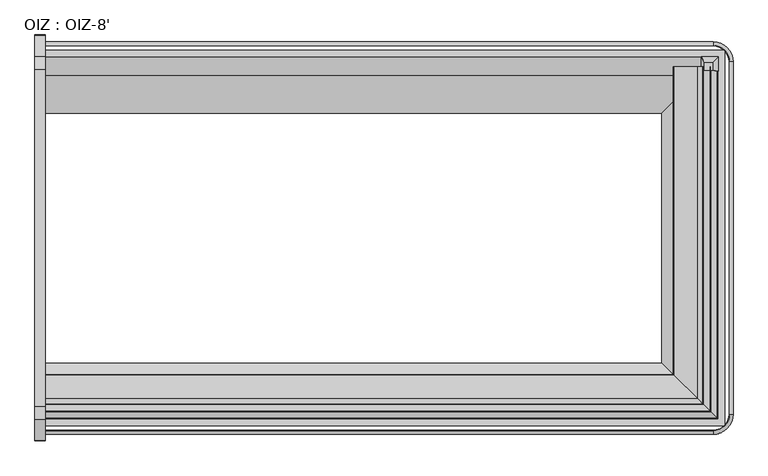
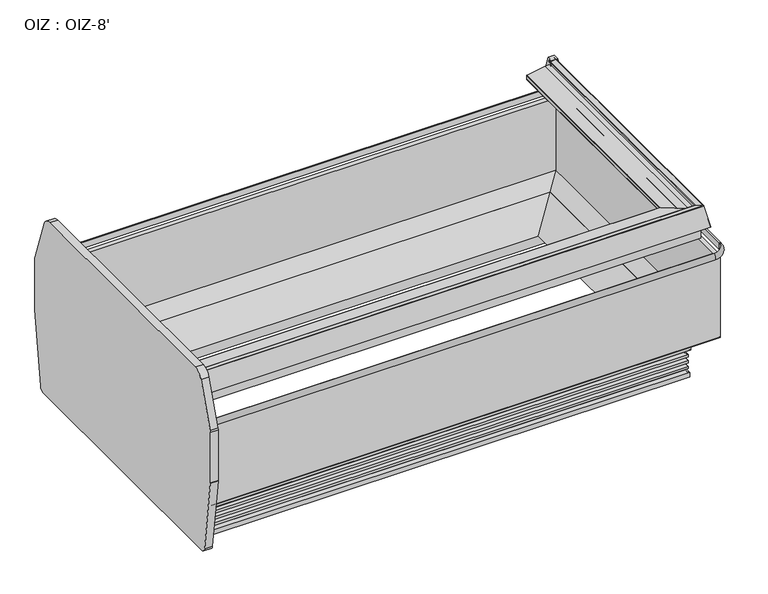
"""IFC4 building model written with IfcOpenShell, lengths in millimetres: proxy geometry, OIZ : OIZ-8'."""

from ifc_helpers import new_model, si_unit, point, frame, frame_2d, origin, place, context, project, spatial, polyline, circle_curve, ellipse_curve, trimmed, segment, composite_curve, outline, extrude, faceted_brep, source, transform, mapped, element, save
from ifc_brep_helpers import plane_surface, cylinder_surface, revolved_surface, advanced_brep


def oiz_oiz_8_f4cea7ca(model_context):
    return source(origin(), model_context, "Body", "SolidModel", [
        extrude(outline(composite_curve([segment(trimmed(circle_curve(frame_2d((-348.839267, 447.3139893)), 25.4), [point((-323.439267, 447.3139893))], [point((-323.6463094, 444.0774966))], False, "CARTESIAN"), True, "CONTINUOUS"), segment(polyline([(-323.6463094, 444.0774966), (-371.1378667, 74.401771)]), True, "CONTINUOUS"), segment(trimmed(circle_curve(frame_2d((-396.3308243, 77.6382637)), 25.4), [point((-371.1378667, 74.401771))], [point((-396.3308243, 52.2382637))], False, "CARTESIAN"), True, "CONTINUOUS"), segment(polyline([(-396.3308243, 52.2382637), (-1744.0393488, 52.2382637)]), True, "CONTINUOUS"), segment(trimmed(circle_curve(frame_2d((-1744.0393488, 77.6382637)), 25.4), [point((-1744.0393488, 52.2382637))], [point((-1769.2323064, 74.401771))], False, "CARTESIAN"), True, "CONTINUOUS"), segment(polyline([(-1769.2323064, 74.401771), (-1816.7238637, 444.0774966)]), True, "CONTINUOUS"), segment(trimmed(circle_curve(frame_2d((-1791.530906, 447.3139893)), 25.4), [point((-1816.7238637, 444.0774966))], [point((-1816.930906, 447.3139893))], False, "CARTESIAN"), True, "CONTINUOUS"), segment(polyline([(-1816.930906, 447.3139893), (-1816.930906, 709.7837524)]), True, "CONTINUOUS"), segment(trimmed(circle_curve(frame_2d((-1791.530906, 709.7837524)), 25.4), [point((-1816.930906, 709.7837524))], [point((-1815.4781786, 718.2506372))], False, "CARTESIAN"), True, "CONTINUOUS"), segment(polyline([(-1815.4781786, 718.2506372), (-1737.902464, 937.6615333)]), True, "CONTINUOUS"), segment(trimmed(circle_curve(frame_2d((-1690.007919, 920.7277637)), 50.8), [point((-1737.902464, 937.6615333))], [point((-1690.007919, 971.5277637))], False, "CARTESIAN"), True, "CONTINUOUS"), segment(polyline([(-1690.007919, 971.5277637), (-450.3622541, 971.5277637)]), True, "CONTINUOUS"), segment(trimmed(circle_curve(frame_2d((-450.3622541, 920.7277637)), 50.8), [point((-450.3622541, 971.5277637))], [point((-402.467709, 937.6615333))], False, "CARTESIAN"), True, "CONTINUOUS"), segment(polyline([(-402.467709, 937.6615333), (-324.8919945, 718.2506372)]), True, "CONTINUOUS"), segment(trimmed(circle_curve(frame_2d((-348.839267, 709.7837524)), 25.4), [point((-324.8919945, 718.2506372))], [point((-323.439267, 709.7837524))], False, "CARTESIAN"), True, "CONTINUOUS"), segment(polyline([(-323.439267, 709.7837524), (-323.439267, 447.3139893)]), True, "CONTINUOUS")], self_intersect=False)), frame((-38.1, 0.0, 0.0), z_axis=(1.0, 0.0, 0.0), x_axis=(0.0, 1.0, 0.0)), (0.0, 0.0, 1.0), 38.1),
        faceted_brep([(2457.12346, -453.3410498, 953.5924566), (2457.12346, -423.9461673, 953.5924566), (2426.4527577, -423.9461673, 953.5924566), (2426.4527577, -453.3410498, 953.5924566), (2477.300354, -456.3510322, 847.1075065), (2414.6734801, -456.3510322, 847.1075065), (2414.6734801, -403.7692733, 847.1075065), (2477.300354, -403.7692733, 847.1075065)], [[[0, 1, 2, 3]], [[4, 5, 6, 7]], [[5, 4, 0, 3]], [[6, 5, 3, 2]], [[7, 6, 2, 1]], [[4, 7, 1, 0]]]),
        advanced_brep(
        [(0.0, -1669.8693202, 193.2181695), (0.0, -1669.8693202, 286.9854386), (0.0, -1531.4154874, 190.7162695), (0.0, -1667.3674202, 190.7162695), (2408.2996929, -1669.8693202, 193.2181695), (2408.2996929, -1669.8693202, 286.9854386), (2269.8458601, -1531.4154874, 190.7162695), (2269.8458601, -611.2237672, 190.7162695), (0.0, -611.2237672, 190.7162695), (0.0, -475.2718344, 190.7162695), (2405.7977929, -475.2718344, 190.7162695), (2405.7977929, -1667.3674202, 190.7162695), (2408.2996929, -472.7699344, 193.2181695), (2408.2996929, -472.7699344, 286.9854386), (0.0, -472.7699344, 193.2181695), (0.0, -472.7699344, 286.9854386)],
        [
            (0, 1),
            (1, 2),
            (2, 3),
            (3, 0, circle_curve(frame((0.0, -1667.3674202, 193.2181695), z_axis=(-1.0, 0.0, 0.0), x_axis=(0.0, 1.0, 0.0)), 2.5019)),
            (0, 4),
            (4, 5),
            (5, 1),
            (5, 6),
            (6, 2),
            (6, 7),
            (7, 8),
            (8, 9),
            (9, 10),
            (10, 11),
            (11, 3),
            (11, 4, ellipse_curve(frame((2405.7977929, -1667.3674202, 193.2181695), z_axis=(-0.7071067811865475, -0.7071067811865475, 0.0), x_axis=(-0.7071067811865476, 0.7071067811865474, 0.0)), 3.5382209, 2.5019)),
            (4, 12),
            (12, 13),
            (13, 5),
            (13, 7),
            (10, 12, ellipse_curve(frame((2405.7977929, -475.2718344, 193.2181695), z_axis=(0.7071067811865475, -0.7071067811865475, 0.0), x_axis=(-0.7071067811865474, -0.7071067811865476, 0.0)), 3.5382209, 2.5019)),
            (14, 9, circle_curve(frame((0.0, -475.2718344, 193.2181695), z_axis=(-1.0, 0.0, 0.0), x_axis=(0.0, -1.0, 0.0)), 2.5019)),
            (8, 15),
            (15, 14),
            (12, 14),
            (15, 13),
        ],
        [
            plane_surface(frame((0.0, -1793.6321273, 50.2442522), z_axis=(-1.0, 0.0, 0.0), x_axis=(0.0, 0.0, 1.0))),
            plane_surface(frame((0.0, -1669.8693202, 193.2181695), z_axis=(0.0, -1.0, 0.0), x_axis=(1.0, 0.0, 0.0))),
            plane_surface(frame((0.0, -1669.8693202, 286.9854386), z_axis=(0.0, 0.5708784896060812, 0.8210345608469107), x_axis=(1.0, 0.0, 0.0))),
            plane_surface(frame((0.0, -1531.4154874, 190.7162695), z_axis=(0.0, 0.0, -1.0), x_axis=(1.0, 0.0, 0.0))),
            cylinder_surface(frame((0.0, -1667.3674202, 193.2181695), z_axis=(-1.0, 0.0, 0.0), x_axis=(0.0, 1.0, 0.0)), 2.5019),
            plane_surface(frame((2408.2996929, -1669.8693202, 193.2181695), z_axis=(1.0, 0.0, 0.0), x_axis=(0.0, 1.0, 0.0))),
            plane_surface(frame((2408.2996929, -1669.8693202, 286.9854386), z_axis=(-0.5708784896060812, 0.0, 0.8210345608469107), x_axis=(0.0, 1.0, 0.0))),
            cylinder_surface(frame((2405.7977929, -1793.6321273, 193.2181695), z_axis=(0.0, -1.0, 0.0), x_axis=(-1.0, 0.0, 0.0)), 2.5019),
            plane_surface(frame((0.0, -349.0071273, 50.2442522), z_axis=(-1.0, 0.0, 0.0), x_axis=(0.0, 0.0, 1.0))),
            plane_surface(frame((2408.2996929, -472.7699344, 193.2181695), z_axis=(0.0, 1.0, 0.0), x_axis=(-1.0, 0.0, 0.0))),
            plane_surface(frame((2408.2996929, -472.7699344, 286.9854386), z_axis=(0.0, -0.5708784896060812, 0.8210345608469107), x_axis=(-1.0, 0.0, 0.0))),
            cylinder_surface(frame((2532.0625, -475.2718344, 193.2181695), z_axis=(1.0, 0.0, 0.0), x_axis=(0.0, -1.0, 0.0)), 2.5019),
        ],
        [
            (0, [[1, 2, 3, 4]]),
            (1, [[-1, 5, 6, 7]]),
            (2, [[-2, -7, 8, 9]]),
            (3, [[-3, -9, 10, 11, 12, 13, 14, 15]]),
            (4, [[-4, -15, 16, -5]]),
            (5, [[-6, 17, 18, 19]]),
            (6, [[-8, -19, 20, -10]]),
            (7, [[-16, -14, 21, -17]]),
            (8, [[22, -12, 23, 24]]),
            (9, [[-18, 25, -24, 26]]),
            (10, [[-20, -26, -23, -11]]),
            (11, [[-21, -13, -22, -25]]),
        ],
    ),
        advanced_brep(
        [(0.0, -1710.6553219, 952.3854544), (0.0, -1708.7724527, 953.6082039), (0.0, -1683.8365698, 948.3079183), (0.0, -1682.6332223, 946.3442338), (0.0, -1688.022385, 926.2316048), (0.0, -1663.5888176, 926.3067225), (0.0, -1575.6167929, 908.9805251), (0.0, -1573.5578746, 906.3399769), (0.0, -1574.5393697, 888.1365545), (0.0, -1577.0350289, 885.8112569), (0.0, -1604.3477708, 885.8112569), (0.0, -1604.3477708, 889.9006569), (0.0, -1614.6221651, 889.9006569), (0.0, -1616.3175828, 891.816978), (0.0, -1616.1100713, 893.5070234), (0.0, -1616.801171, 894.3915907), (0.0, -1640.5558215, 897.308295), (0.0, -1641.4140296, 896.7445061), (0.0, -1658.1223173, 839.957012), (0.0, -1659.76101, 838.731006), (0.0, -1699.7349313, 838.731006), (0.0, -1700.5286813, 837.937256), (0.0, -1700.5286813, 782.3984294), (0.0, -1701.7478813, 782.3984294), (0.0, -1701.7478813, 941.6913504), (0.0, -1710.5187202, 941.6913504), (0.0, -1730.6231369, 847.1075065), (0.0, -1733.0328405, 847.1075065), (2449.0856946, -1710.6553219, 952.3854544), (2447.2028254, -1708.7724527, 953.6082039), (2422.2669425, -1683.8365698, 948.3079183), (2421.063595, -1682.6332223, 946.3442338), (2426.4527577, -1688.022385, 926.2316048), (2402.0191903, -1663.5888176, 926.3067225), (2314.0471656, -1575.6167929, 908.9805251), (2311.9882473, -1573.5578746, 906.3399769), (2312.9697424, -1574.5393697, 888.1365545), (2315.4654016, -1577.0350289, 885.8112569), (2315.4654016, -441.0821273, 885.8112569), (2342.7781435, -441.0821273, 885.8112569), (2342.7781435, -1604.3477708, 885.8112569), (2342.7781435, -1604.3477708, 889.9006569), (2342.7781435, -441.0821273, 889.9006569), (2353.0525378, -441.0821273, 889.9006569), (2353.0525378, -1614.6221651, 889.9006569), (2354.7479555, -1616.3175828, 891.816978), (2354.540444, -1616.1100713, 893.5070234), (2355.2315437, -1616.801171, 894.3915907), (2378.9861942, -1640.5558215, 897.308295), (2379.8444023, -1641.4140296, 896.7445061), (2396.55269, -1658.1223173, 839.957012), (2398.1913827, -1659.76101, 838.731006), (2398.1913827, -441.0821273, 838.731006), (2438.165304, -441.0821273, 838.731006), (2438.165304, -1699.7349313, 838.731006), (2438.959054, -1700.5286813, 837.937256), (2438.959054, -1700.5286813, 782.3984294), (2438.959054, -441.0821273, 782.3984294), (2440.178254, -441.0821273, 782.3984294), (2440.178254, -1701.7478813, 782.3984294), (2440.178254, -1701.7478813, 941.6913504), (2440.178254, -441.0821273, 941.6913504), (2448.9490929, -441.0821273, 941.6913504), (2448.9490929, -1710.5187202, 941.6913504), (2469.0535096, -1730.6231369, 847.1075065), (2469.0535096, -441.0821273, 847.1075065), (2471.4632132, -441.0821273, 847.1075065), (2471.4632132, -1733.0328405, 847.1075065), (2449.0856946, -441.0821273, 952.3854544), (2447.2028254, -441.0821273, 953.6082039), (2422.2669425, -441.0821273, 948.3079183), (2421.063595, -441.0821273, 946.3442338), (2426.4527577, -441.0821273, 926.2316048), (2402.0191903, -441.0821273, 926.3067225), (2314.0471656, -441.0821273, 908.9805251), (2311.9882473, -441.0821273, 906.3399769), (2312.9697424, -441.0821273, 888.1365545), (2354.7479555, -441.0821273, 891.816978), (2354.540444, -441.0821273, 893.5070234), (2355.2315437, -441.0821273, 894.3915907), (2378.9861942, -441.0821273, 897.308295), (2379.8444023, -441.0821273, 896.7445061), (2396.55269, -441.0821273, 839.957012), (2438.959054, -441.0821273, 837.937256)],
        [
            (0, 1, circle_curve(frame((0.0, -1709.1025125, 952.0553946), z_axis=(-1.0, 0.0, 0.0), x_axis=(0.0, 1.0, 0.0)), 1.5875)),
            (1, 2),
            (2, 3, circle_curve(frame((0.0, -1684.1666296, 946.755109), z_axis=(-1.0, 0.0, 0.0), x_axis=(0.0, 1.0, 0.0)), 1.5875)),
            (3, 4),
            (4, 5),
            (5, 6),
            (6, 7, circle_curve(frame((0.0, -1576.1044792, 906.4772852), z_axis=(-1.0, 0.0, 0.0), x_axis=(0.0, 1.0, 0.0)), 2.5503035)),
            (7, 8),
            (8, 9, circle_curve(frame((0.0, -1577.0350289, 888.3131569), z_axis=(-1.0, 0.0, 0.0), x_axis=(0.0, 1.0, 0.0)), 2.5019)),
            (9, 10),
            (10, 11),
            (11, 12),
            (12, 13, circle_curve(frame((0.0, -1614.6221651, 891.6088069), z_axis=(-1.0, 0.0, 0.0), x_axis=(0.0, 1.0, 0.0)), 1.70815)),
            (13, 14),
            (14, 15, circle_curve(frame((0.0, -1616.8979048, 893.6037572), z_axis=(1.0, 0.0, 0.0), x_axis=(0.0, 1.0, 0.0)), 0.79375)),
            (15, 16),
            (16, 17, circle_curve(frame((0.0, -1640.6525553, 896.5204615), z_axis=(1.0, 0.0, 0.0), x_axis=(0.0, 1.0, 0.0)), 0.79375)),
            (17, 18),
            (18, 19, circle_curve(frame((0.0, -1659.76101, 840.439156), z_axis=(-1.0, 0.0, 0.0), x_axis=(0.0, 1.0, 0.0)), 1.70815)),
            (19, 20),
            (20, 21, circle_curve(frame((0.0, -1699.7349313, 837.937256), z_axis=(1.0, 0.0, 0.0), x_axis=(0.0, 1.0, 0.0)), 0.79375)),
            (21, 22),
            (22, 23),
            (23, 24),
            (24, 25),
            (25, 26),
            (26, 27),
            (27, 0),
            (0, 28),
            (28, 29, ellipse_curve(frame((2447.5328852, -1709.1025125, 952.0553946), z_axis=(-0.7071067811865475, -0.7071067811865475, 0.0), x_axis=(-0.7071067811865476, 0.7071067811865474, 0.0)), 2.245064, 1.5875)),
            (29, 1),
            (29, 30),
            (30, 2),
            (30, 31, ellipse_curve(frame((2422.5970023, -1684.1666296, 946.755109), z_axis=(-0.7071067811865475, -0.7071067811865475, 0.0), x_axis=(-0.7071067811865476, 0.7071067811865474, 0.0)), 2.245064, 1.5875)),
            (31, 3),
            (31, 32),
            (32, 4),
            (32, 33),
            (33, 5),
            (33, 34),
            (34, 6),
            (34, 35, ellipse_curve(frame((2314.5348519, -1576.1044792, 906.4772852), z_axis=(-0.7071067811865475, -0.7071067811865475, 0.0), x_axis=(-0.7071067811865476, 0.7071067811865474, 0.0)), 3.6066739, 2.5503035)),
            (35, 7),
            (35, 36),
            (36, 8),
            (36, 37, ellipse_curve(frame((2315.4654016, -1577.0350289, 888.3131569), z_axis=(-0.7071067811865475, -0.7071067811865475, 0.0), x_axis=(-0.7071067811865476, 0.7071067811865474, 0.0)), 3.5382209, 2.5019)),
            (37, 9),
            (37, 38),
            (38, 39),
            (39, 40),
            (40, 10),
            (40, 41),
            (41, 11),
            (41, 42),
            (42, 43),
            (43, 44),
            (44, 12),
            (44, 45, ellipse_curve(frame((2353.0525378, -1614.6221651, 891.6088069), z_axis=(-0.7071067811865475, -0.7071067811865475, 0.0), x_axis=(-0.7071067811865476, 0.7071067811865474, 0.0)), 2.4156889, 1.70815)),
            (45, 13),
            (45, 46),
            (46, 14),
            (46, 47, ellipse_curve(frame((2355.3282775, -1616.8979048, 893.6037572), z_axis=(0.7071067811865475, 0.7071067811865475, 0.0), x_axis=(0.7071067811865476, -0.7071067811865474, 0.0)), 1.122532, 0.79375)),
            (47, 15),
            (47, 48),
            (48, 16),
            (48, 49, ellipse_curve(frame((2379.082928, -1640.6525553, 896.5204615), z_axis=(0.7071067811865475, 0.7071067811865475, 0.0), x_axis=(0.7071067811865476, -0.7071067811865474, 0.0)), 1.122532, 0.79375)),
            (49, 17),
            (49, 50),
            (50, 18),
            (50, 51, ellipse_curve(frame((2398.1913827, -1659.76101, 840.439156), z_axis=(-0.7071067811865475, -0.7071067811865475, 0.0), x_axis=(-0.7071067811865476, 0.7071067811865474, 0.0)), 2.4156889, 1.70815)),
            (51, 19),
            (51, 52),
            (52, 53),
            (53, 54),
            (54, 20),
            (54, 55, ellipse_curve(frame((2438.165304, -1699.7349313, 837.937256), z_axis=(0.7071067811865475, 0.7071067811865475, 0.0), x_axis=(0.7071067811865476, -0.7071067811865474, 0.0)), 1.122532, 0.79375)),
            (55, 21),
            (55, 56),
            (56, 22),
            (56, 57),
            (57, 58),
            (58, 59),
            (59, 23),
            (59, 60),
            (60, 24),
            (60, 61),
            (61, 62),
            (62, 63),
            (63, 25),
            (63, 64),
            (64, 26),
            (64, 65),
            (65, 66),
            (66, 67),
            (67, 27),
            (67, 28),
            (28, 68),
            (68, 69, circle_curve(frame((2447.5328852, -441.0821273, 952.0553946), z_axis=(0.0, -1.0, 0.0), x_axis=(-1.0, 0.0, 0.0)), 1.5875)),
            (69, 29),
            (69, 70),
            (70, 30),
            (70, 71, circle_curve(frame((2422.5970023, -441.0821273, 946.755109), z_axis=(0.0, -1.0, 0.0), x_axis=(-1.0, 0.0, 0.0)), 1.5875)),
            (71, 31),
            (71, 72),
            (72, 32),
            (72, 73),
            (73, 33),
            (73, 74),
            (74, 34),
            (74, 75, circle_curve(frame((2314.5348519, -441.0821273, 906.4772852), z_axis=(0.0, -1.0, 0.0), x_axis=(-1.0, 0.0, 0.0)), 2.5503035)),
            (75, 35),
            (75, 76),
            (76, 36),
            (76, 38, circle_curve(frame((2315.4654016, -441.0821273, 888.3131569), z_axis=(0.0, -1.0, 0.0), x_axis=(-1.0, 0.0, 0.0)), 2.5019)),
            (39, 42),
            (43, 77, circle_curve(frame((2353.0525378, -441.0821273, 891.6088069), z_axis=(0.0, -1.0, 0.0), x_axis=(-1.0, 0.0, 0.0)), 1.70815)),
            (77, 45),
            (77, 78),
            (78, 46),
            (78, 79, circle_curve(frame((2355.3282775, -441.0821273, 893.6037572), z_axis=(0.0, 1.0, 0.0), x_axis=(-1.0, 0.0, 0.0)), 0.79375)),
            (79, 47),
            (79, 80),
            (80, 48),
            (80, 81, circle_curve(frame((2379.082928, -441.0821273, 896.5204615), z_axis=(0.0, 1.0, 0.0), x_axis=(-1.0, 0.0, 0.0)), 0.79375)),
            (81, 49),
            (81, 82),
            (82, 50),
            (82, 52, circle_curve(frame((2398.1913827, -441.0821273, 840.439156), z_axis=(0.0, -1.0, 0.0), x_axis=(-1.0, 0.0, 0.0)), 1.70815)),
            (53, 83, circle_curve(frame((2438.165304, -441.0821273, 837.937256), z_axis=(0.0, 1.0, 0.0), x_axis=(-1.0, 0.0, 0.0)), 0.79375)),
            (83, 55),
            (83, 57),
            (58, 61),
            (62, 65),
            (66, 68),
        ],
        [
            plane_surface(frame((0.0, -1793.6321273, 50.2442522), z_axis=(-1.0, 0.0, 0.0), x_axis=(0.0, 0.0, 1.0))),
            cylinder_surface(frame((0.0, -1709.1025125, 952.0553946), z_axis=(-1.0, 0.0, 0.0), x_axis=(0.0, 1.0, 0.0)), 1.5875),
            plane_surface(frame((0.0, -1708.7724527, 953.6082039), z_axis=(0.0, 0.20791169079971766, 0.9781476007376406), x_axis=(1.0, 0.0, 0.0))),
            cylinder_surface(frame((0.0, -1684.1666296, 946.755109), z_axis=(-1.0, 0.0, 0.0), x_axis=(0.0, 1.0, 0.0)), 1.5875),
            plane_surface(frame((0.0, -1682.6332223, 946.3442338), z_axis=(0.0, 0.9659258262938488, -0.2588190450846796), x_axis=(1.0, 0.0, 0.0))),
            plane_surface(frame((0.0, -1688.022385, 926.2316048), z_axis=(0.0, -0.0030743536510213663, 0.9999952741636475), x_axis=(1.0, 0.0, 0.0))),
            plane_surface(frame((0.0, -1663.5888176, 926.3067225), z_axis=(0.0, 0.19323902458189599, 0.9811517106842537), x_axis=(1.0, 0.0, 0.0))),
            cylinder_surface(frame((0.0, -1576.1044792, 906.4772852), z_axis=(-1.0, 0.0, 0.0), x_axis=(0.0, 1.0, 0.0)), 2.5503035),
            plane_surface(frame((0.0, -1573.5578746, 906.3399769), z_axis=(0.0, 0.9985495777719585, -0.05383995478678839), x_axis=(1.0, 0.0, 0.0))),
            cylinder_surface(frame((0.0, -1577.0350289, 888.3131569), z_axis=(-1.0, 0.0, 0.0), x_axis=(0.0, 1.0, 0.0)), 2.5019),
            plane_surface(frame((0.0, -1577.0350289, 885.8112569), z_axis=(0.0, 0.0, -1.0), x_axis=(1.0, 0.0, 0.0))),
            plane_surface(frame((0.0, -1604.3477708, 885.8112569), z_axis=(0.0, -1.0, 0.0), x_axis=(1.0, 0.0, 0.0))),
            plane_surface(frame((0.0, -1604.3477708, 889.9006569), z_axis=(0.0, 0.0, -1.0), x_axis=(1.0, 0.0, 0.0))),
            cylinder_surface(frame((0.0, -1614.6221651, 891.6088069), z_axis=(-1.0, 0.0, 0.0), x_axis=(0.0, 1.0, 0.0)), 1.70815),
            plane_surface(frame((0.0, -1616.3175828, 891.816978), z_axis=(0.0, -0.9925461516413417, 0.12186934340498758), x_axis=(1.0, 0.0, 0.0))),
            revolved_surface(polyline([(2356.1220274892985, -1616.1041548, 893.6037572), (0.0, -1616.1041548, 893.6037572)]), (0.0, -1616.8979048, 893.6037572), (1.0, 0.0, 0.0)),
            plane_surface(frame((0.0, -1616.801171, 894.3915907), z_axis=(0.0, -0.1218693434051119, -0.9925461516413264), x_axis=(1.0, 0.0, 0.0))),
            revolved_surface(polyline([(2379.8766779892985, -1639.8588052999999, 896.5204615), (0.0, -1639.8588052999999, 896.5204615)]), (0.0, -1640.6525553, 896.5204615), (1.0, 0.0, 0.0)),
            plane_surface(frame((0.0, -1641.4140296, 896.7445061), z_axis=(0.0, 0.9593376760614901, -0.28226091349837923), x_axis=(1.0, 0.0, 0.0))),
            cylinder_surface(frame((0.0, -1659.76101, 840.439156), z_axis=(-1.0, 0.0, 0.0), x_axis=(0.0, 1.0, 0.0)), 1.70815),
            plane_surface(frame((0.0, -1659.76101, 838.731006), z_axis=(0.0, 0.0, -1.0), x_axis=(1.0, 0.0, 0.0))),
            revolved_surface(polyline([(2438.959054, -1698.9411813, 837.937256), (0.0, -1698.9411813, 837.937256)]), (0.0, -1699.7349313, 837.937256), (1.0, 0.0, 0.0)),
            plane_surface(frame((0.0, -1700.5286813, 837.937256), z_axis=(0.0, 1.0, 0.0), x_axis=(1.0, 0.0, 0.0))),
            plane_surface(frame((0.0, -1700.5286813, 782.3984294), z_axis=(0.0, 0.0, -1.0), x_axis=(1.0, 0.0, 0.0))),
            plane_surface(frame((0.0, -1701.7478813, 782.3984294), z_axis=(0.0, -1.0, 0.0), x_axis=(1.0, 0.0, 0.0))),
            plane_surface(frame((0.0, -1701.7478813, 941.6913504), z_axis=(0.0, 0.0, -1.0), x_axis=(1.0, 0.0, 0.0))),
            plane_surface(frame((0.0, -1710.5187202, 941.6913504), z_axis=(0.0, 0.9781476007338412, -0.20791169081759206), x_axis=(1.0, 0.0, 0.0))),
            plane_surface(frame((0.0, -1730.6231369, 847.1075065), z_axis=(0.0, 0.0, -1.0), x_axis=(1.0, 0.0, 0.0))),
            plane_surface(frame((0.0, -1733.0328405, 847.1075065), z_axis=(0.0, -0.9781476007338418, 0.20791169081758964), x_axis=(1.0, 0.0, 0.0))),
            cylinder_surface(frame((2447.5328852, -1793.6321273, 952.0553946), z_axis=(0.0, -1.0, 0.0), x_axis=(-1.0, 0.0, 0.0)), 1.5875),
            plane_surface(frame((2447.2028254, -1708.7724527, 953.6082039), z_axis=(-0.20791169079971766, 0.0, 0.9781476007376406), x_axis=(0.0, 1.0, 0.0))),
            cylinder_surface(frame((2422.5970023, -1793.6321273, 946.755109), z_axis=(0.0, -1.0, 0.0), x_axis=(-1.0, 0.0, 0.0)), 1.5875),
            plane_surface(frame((2421.063595, -1682.6332223, 946.3442338), z_axis=(-0.9659258262938488, 0.0, -0.2588190450846796), x_axis=(0.0, 1.0, 0.0))),
            plane_surface(frame((2426.4527577, -1688.022385, 926.2316048), z_axis=(0.0030743536510213663, 0.0, 0.9999952741636475), x_axis=(0.0, 1.0, 0.0))),
            plane_surface(frame((2402.0191903, -1663.5888176, 926.3067225), z_axis=(-0.19323902458189599, 0.0, 0.9811517106842537), x_axis=(0.0, 1.0, 0.0))),
            cylinder_surface(frame((2314.5348519, -1793.6321273, 906.4772852), z_axis=(0.0, -1.0, 0.0), x_axis=(-1.0, 0.0, 0.0)), 2.5503035),
            plane_surface(frame((2311.9882473, -1573.5578746, 906.3399769), z_axis=(-0.9985495777719585, 0.0, -0.05383995478678839), x_axis=(0.0, 1.0, 0.0))),
            cylinder_surface(frame((2315.4654016, -1793.6321273, 888.3131569), z_axis=(0.0, -1.0, 0.0), x_axis=(-1.0, 0.0, 0.0)), 2.5019),
            plane_surface(frame((2342.7781435, -1604.3477708, 885.8112569), z_axis=(1.0, 0.0, 0.0), x_axis=(0.0, 1.0, 0.0))),
            cylinder_surface(frame((2353.0525378, -1793.6321273, 891.6088069), z_axis=(0.0, -1.0, 0.0), x_axis=(-1.0, 0.0, 0.0)), 1.70815),
            plane_surface(frame((2354.7479555, -1616.3175828, 891.816978), z_axis=(0.9925461516413417, 0.0, 0.12186934340498758), x_axis=(0.0, 1.0, 0.0))),
            revolved_surface(polyline([(2354.5345275, -441.0821272999999, 893.6037572), (2354.5345275, -1617.691654789299, 893.6037572)]), (2355.3282775, -1793.6321273, 893.6037572), (0.0, 1.0, 0.0)),
            plane_surface(frame((2355.2315437, -1616.801171, 894.3915907), z_axis=(0.1218693434051119, 0.0, -0.9925461516413264), x_axis=(0.0, 1.0, 0.0))),
            revolved_surface(polyline([(2378.289178, -441.0821272999999, 896.5204615), (2378.289178, -1641.4463052892988, 896.5204615)]), (2379.082928, -1793.6321273, 896.5204615), (0.0, 1.0, 0.0)),
            plane_surface(frame((2379.8444023, -1641.4140296, 896.7445061), z_axis=(-0.9593376760614901, 0.0, -0.28226091349837923), x_axis=(0.0, 1.0, 0.0))),
            cylinder_surface(frame((2398.1913827, -1793.6321273, 840.439156), z_axis=(0.0, -1.0, 0.0), x_axis=(-1.0, 0.0, 0.0)), 1.70815),
            revolved_surface(polyline([(2437.3715540000003, -441.0821272999999, 837.937256), (2437.3715540000003, -1700.5286813, 837.937256)]), (2438.165304, -1793.6321273, 837.937256), (0.0, 1.0, 0.0)),
            plane_surface(frame((2438.959054, -1700.5286813, 837.937256), z_axis=(-1.0, 0.0, 0.0), x_axis=(0.0, 1.0, 0.0))),
            plane_surface(frame((2440.178254, -1701.7478813, 782.3984294), z_axis=(1.0, 0.0, 0.0), x_axis=(0.0, 1.0, 0.0))),
            plane_surface(frame((2448.9490929, -1710.5187202, 941.6913504), z_axis=(-0.9781476007338412, 0.0, -0.20791169081759206), x_axis=(0.0, 1.0, 0.0))),
            plane_surface(frame((2471.4632132, -1733.0328405, 847.1075065), z_axis=(0.9781476007338418, 0.0, 0.20791169081758964), x_axis=(0.0, 1.0, 0.0))),
            plane_surface(frame((2532.0625, -441.0821273, 50.2442522), z_axis=(0.0, 1.0, 0.0), x_axis=(0.0, 0.0, 1.0))),
        ],
        [
            (0, [[1, 2, 3, 4, 5, 6, 7, 8, 9, 10, 11, 12, 13, 14, 15, 16, 17, 18, 19, 20, 21, 22, 23, 24, 25, 26, 27, 28]]),
            (1, [[-1, 29, 30, 31]]),
            (2, [[-2, -31, 32, 33]]),
            (3, [[-3, -33, 34, 35]]),
            (4, [[-4, -35, 36, 37]]),
            (5, [[-5, -37, 38, 39]]),
            (6, [[-6, -39, 40, 41]]),
            (7, [[-7, -41, 42, 43]]),
            (8, [[-8, -43, 44, 45]]),
            (9, [[-9, -45, 46, 47]]),
            (10, [[-10, -47, 48, 49, 50, 51]]),
            (11, [[-11, -51, 52, 53]]),
            (12, [[-12, -53, 54, 55, 56, 57]]),
            (13, [[-13, -57, 58, 59]]),
            (14, [[-14, -59, 60, 61]]),
            (15, [[-15, -61, 62, 63]]),
            (16, [[-16, -63, 64, 65]]),
            (17, [[-17, -65, 66, 67]]),
            (18, [[-18, -67, 68, 69]]),
            (19, [[-19, -69, 70, 71]]),
            (20, [[-20, -71, 72, 73, 74, 75]]),
            (21, [[-21, -75, 76, 77]]),
            (22, [[-22, -77, 78, 79]]),
            (23, [[-23, -79, 80, 81, 82, 83]]),
            (24, [[-24, -83, 84, 85]]),
            (25, [[-25, -85, 86, 87, 88, 89]]),
            (26, [[-26, -89, 90, 91]]),
            (27, [[-27, -91, 92, 93, 94, 95]]),
            (28, [[-28, -95, 96, -29]]),
            (29, [[-30, 97, 98, 99]]),
            (30, [[-32, -99, 100, 101]]),
            (31, [[-34, -101, 102, 103]]),
            (32, [[-36, -103, 104, 105]]),
            (33, [[-38, -105, 106, 107]]),
            (34, [[-40, -107, 108, 109]]),
            (35, [[-42, -109, 110, 111]]),
            (36, [[-44, -111, 112, 113]]),
            (37, [[-46, -113, 114, -48]]),
            (38, [[-52, -50, 115, -54]]),
            (39, [[-58, -56, 116, 117]]),
            (40, [[-60, -117, 118, 119]]),
            (41, [[-62, -119, 120, 121]]),
            (42, [[-64, -121, 122, 123]]),
            (43, [[-66, -123, 124, 125]]),
            (44, [[-68, -125, 126, 127]]),
            (45, [[-70, -127, 128, -72]]),
            (46, [[-76, -74, 129, 130]]),
            (47, [[-78, -130, 131, -80]]),
            (48, [[-84, -82, 132, -86]]),
            (49, [[-90, -88, 133, -92]]),
            (50, [[-96, -94, 134, -97]]),
            (51, [[-134, -93, -133, -87, -132, -81, -131, -129, -73, -128, -126, -124, -122, -120, -118, -116, -55, -115, -49, -114, -112, -110, -108, -106, -104, -102, -100, -98]]),
        ],
    ),
        advanced_brep(
        [(0.0, -1644.8482048, 52.2382637), (0.0, -1667.0118202, 52.2382637), (0.0, -1667.0118202, 74.5283346), (0.0, -1653.3940173, 84.1356475), (0.0, -1650.5792308, 93.1430848), (0.0, -1662.5360154, 93.1430848), (0.0, -1662.5360154, 105.8430848), (0.0, -1653.3940173, 115.1078306), (0.0, -1650.5792308, 124.1152679), (0.0, -1662.5360154, 124.1152679), (0.0, -1662.5360154, 136.8152679), (0.0, -1653.3940173, 146.0800137), (0.0, -1650.5469277, 155.0876379), (0.0, -1662.5360154, 155.0876379), (0.0, -1662.5360154, 167.7876379), (0.0, -1649.9049202, 180.487451), (0.0, -1649.9049202, 190.7162695), (0.0, -1644.8482048, 190.7162695), (2383.2785775, -1644.8482048, 52.2382637), (2383.2785775, -497.7910498, 52.2382637), (0.0, -497.7910498, 52.2382637), (0.0, -475.6274344, 52.2382637), (2405.4421929, -475.6274344, 52.2382637), (2405.4421929, -1667.0118202, 52.2382637), (2405.4421929, -1667.0118202, 74.5283346), (2391.82439, -1653.3940173, 84.1356475), (2389.0096035, -1650.5792308, 93.1430848), (2389.0096035, -492.0600238, 93.1430848), (0.0, -492.0600238, 93.1430848), (0.0, -480.1032392, 93.1430848), (2400.9663881, -480.1032392, 93.1430848), (2400.9663881, -1662.5360154, 93.1430848), (2400.9663881, -1662.5360154, 105.8430848), (2391.82439, -1653.3940173, 115.1078306), (2389.0096035, -1650.5792308, 124.1152679), (2389.0096035, -492.0600238, 124.1152679), (0.0, -492.0600238, 124.1152679), (0.0, -480.1032392, 124.1152679), (2400.9663881, -480.1032392, 124.1152679), (2400.9663881, -1662.5360154, 124.1152679), (2400.9663881, -1662.5360154, 136.8152679), (2391.82439, -1653.3940173, 146.0800137), (2388.9773004, -1650.5469277, 155.0876379), (2388.9773004, -492.0923269, 155.0876379), (0.0, -492.0923269, 155.0876379), (0.0, -480.1032392, 155.0876379), (2400.9663881, -480.1032392, 155.0876379), (2400.9663881, -1662.5360154, 155.0876379), (2400.9663881, -1662.5360154, 167.7876379), (2388.3352929, -1649.9049202, 180.487451), (2388.3352929, -1649.9049202, 190.7162695), (2388.3352929, -492.7343344, 190.7162695), (0.0, -492.7343344, 190.7162695), (0.0, -497.7910498, 190.7162695), (2383.2785775, -497.7910498, 190.7162695), (2383.2785775, -1644.8482048, 190.7162695), (2405.4421929, -475.6274344, 74.5283346), (2391.82439, -489.2452373, 84.1356475), (2400.9663881, -480.1032392, 105.8430848), (2391.82439, -489.2452373, 115.1078306), (2400.9663881, -480.1032392, 136.8152679), (2391.82439, -489.2452373, 146.0800137), (2400.9663881, -480.1032392, 167.7876379), (2388.3352929, -492.7343344, 180.487451), (0.0, -492.7343344, 180.487451), (0.0, -480.1032392, 167.7876379), (0.0, -489.2452373, 146.0800137), (0.0, -480.1032392, 136.8152679), (0.0, -489.2452373, 115.1078306), (0.0, -480.1032392, 105.8430848), (0.0, -489.2452373, 84.1356475), (0.0, -475.6274344, 74.5283346)],
        [
            (0, 1),
            (1, 2),
            (2, 3, circle_curve(frame((0.0, -1666.4759966, 88.2237114), z_axis=(1.0, 0.0, 0.0), x_axis=(0.0, 1.0, 0.0)), 13.7058546)),
            (3, 4),
            (4, 5),
            (5, 6),
            (6, 7, circle_curve(frame((0.0, -1666.9538832, 119.345232), z_axis=(1.0, 0.0, 0.0), x_axis=(0.0, 1.0, 0.0)), 14.2065314)),
            (7, 8),
            (8, 9),
            (9, 10),
            (10, 11, circle_curve(frame((0.0, -1667.0262586, 150.3888315), z_axis=(1.0, 0.0, 0.0), x_axis=(0.0, 1.0, 0.0)), 14.2969897)),
            (11, 12),
            (12, 13),
            (13, 14),
            (14, 15, circle_curve(frame((0.0, -1662.6049202, 180.487451), z_axis=(1.0, 0.0, 0.0), x_axis=(0.0, 1.0, 0.0)), 12.7)),
            (15, 16),
            (16, 17),
            (17, 0),
            (0, 18),
            (18, 19),
            (19, 20),
            (20, 21),
            (21, 22),
            (22, 23),
            (23, 1),
            (23, 24),
            (24, 2),
            (24, 25, ellipse_curve(frame((2404.9063693, -1666.4759966, 88.2237114), z_axis=(0.7071067811865475, 0.7071067811865475, 0.0), x_axis=(0.7071067811865476, -0.7071067811865474, 0.0)), 19.3830055, 13.7058546)),
            (25, 3),
            (25, 26),
            (26, 4),
            (26, 27),
            (27, 28),
            (28, 29),
            (29, 30),
            (30, 31),
            (31, 5),
            (31, 32),
            (32, 6),
            (32, 33, ellipse_curve(frame((2405.3842559, -1666.9538832, 119.345232), z_axis=(0.7071067811865475, 0.7071067811865475, 0.0), x_axis=(0.7071067811865476, -0.7071067811865474, 0.0)), 20.0910694, 14.2065314)),
            (33, 7),
            (33, 34),
            (34, 8),
            (34, 35),
            (35, 36),
            (36, 37),
            (37, 38),
            (38, 39),
            (39, 9),
            (39, 40),
            (40, 10),
            (40, 41, ellipse_curve(frame((2405.4566313, -1667.0262586, 150.3888315), z_axis=(0.7071067811865475, 0.7071067811865475, 0.0), x_axis=(0.7071067811865476, -0.7071067811865474, 0.0)), 20.2189967, 14.2969897)),
            (41, 11),
            (41, 42),
            (42, 12),
            (42, 43),
            (43, 44),
            (44, 45),
            (45, 46),
            (46, 47),
            (47, 13),
            (47, 48),
            (48, 14),
            (48, 49, ellipse_curve(frame((2401.0352929, -1662.6049202, 180.487451), z_axis=(0.7071067811865475, 0.7071067811865475, 0.0), x_axis=(0.7071067811865476, -0.7071067811865474, 0.0)), 17.9605122, 12.7)),
            (49, 15),
            (49, 50),
            (50, 16),
            (50, 51),
            (51, 52),
            (52, 53),
            (53, 54),
            (54, 55),
            (55, 17),
            (55, 18),
            (22, 56),
            (56, 24),
            (56, 57, ellipse_curve(frame((2404.9063693, -476.163258, 88.2237114), z_axis=(-0.7071067811865475, 0.7071067811865475, 0.0), x_axis=(0.7071067811865474, 0.7071067811865476, 0.0)), 19.3830055, 13.7058546)),
            (57, 25),
            (57, 27),
            (30, 58),
            (58, 32),
            (58, 59, ellipse_curve(frame((2405.3842559, -475.6853714, 119.345232), z_axis=(-0.7071067811865475, 0.7071067811865475, 0.0), x_axis=(0.7071067811865474, 0.7071067811865476, 0.0)), 20.0910694, 14.2065314)),
            (59, 33),
            (59, 35),
            (38, 60),
            (60, 40),
            (60, 61, ellipse_curve(frame((2405.4566313, -475.612996, 150.3888315), z_axis=(-0.7071067811865475, 0.7071067811865475, 0.0), x_axis=(0.7071067811865474, 0.7071067811865476, 0.0)), 20.2189967, 14.2969897)),
            (61, 41),
            (61, 43),
            (46, 62),
            (62, 48),
            (62, 63, ellipse_curve(frame((2401.0352929, -480.0343344, 180.487451), z_axis=(-0.7071067811865475, 0.7071067811865475, 0.0), x_axis=(0.7071067811865474, 0.7071067811865476, 0.0)), 17.9605122, 12.7)),
            (63, 49),
            (63, 51),
            (54, 19),
            (20, 53),
            (52, 64),
            (64, 65, circle_curve(frame((0.0, -480.0343344, 180.487451), z_axis=(1.0, 0.0, 0.0), x_axis=(0.0, -1.0, 0.0)), 12.7)),
            (65, 45),
            (44, 66),
            (66, 67, circle_curve(frame((0.0, -475.612996, 150.3888315), z_axis=(1.0, 0.0, 0.0), x_axis=(0.0, -1.0, 0.0)), 14.2969897)),
            (67, 37),
            (36, 68),
            (68, 69, circle_curve(frame((0.0, -475.6853714, 119.345232), z_axis=(1.0, 0.0, 0.0), x_axis=(0.0, -1.0, 0.0)), 14.2065314)),
            (69, 29),
            (28, 70),
            (70, 71, circle_curve(frame((0.0, -476.163258, 88.2237114), z_axis=(1.0, 0.0, 0.0), x_axis=(0.0, -1.0, 0.0)), 13.7058546)),
            (71, 21),
            (71, 56),
            (70, 57),
            (69, 58),
            (68, 59),
            (67, 60),
            (66, 61),
            (65, 62),
            (64, 63),
        ],
        [
            plane_surface(frame((0.0, -1793.6321273, 50.2442522), z_axis=(-1.0, 0.0, 0.0), x_axis=(0.0, 0.0, 1.0))),
            plane_surface(frame((0.0, -1644.8482048, 52.2382637), z_axis=(0.0, 0.0, -1.0), x_axis=(1.0, 0.0, 0.0))),
            plane_surface(frame((0.0, -1667.0118202, 52.2382637), z_axis=(0.0, -1.0, 0.0), x_axis=(1.0, 0.0, 0.0))),
            revolved_surface(polyline([(2418.612223928826, -1652.7701419999999, 88.2237114), (0.0, -1652.7701419999999, 88.2237114)]), (0.0, -1666.4759966, 88.2237114), (1.0, 0.0, 0.0)),
            plane_surface(frame((0.0, -1653.3940173, 84.1356475), z_axis=(0.0, -0.9544811145040039, 0.29827135641089436), x_axis=(1.0, 0.0, 0.0))),
            plane_surface(frame((0.0, -1650.5792308, 93.1430848), z_axis=(0.0, 0.0, -1.0), x_axis=(1.0, 0.0, 0.0))),
            plane_surface(frame((0.0, -1662.5360154, 93.1430848), z_axis=(0.0, -1.0, 0.0), x_axis=(1.0, 0.0, 0.0))),
            revolved_surface(polyline([(2419.5907873140295, -1652.7473518000002, 119.345232), (0.0, -1652.7473518000002, 119.345232)]), (0.0, -1666.9538832, 119.345232), (1.0, 0.0, 0.0)),
            plane_surface(frame((0.0, -1653.3940173, 115.1078306), z_axis=(0.0, -0.9544811145040049, 0.29827135641089125), x_axis=(1.0, 0.0, 0.0))),
            plane_surface(frame((0.0, -1650.5792308, 124.1152679), z_axis=(0.0, 0.0, -1.0), x_axis=(1.0, 0.0, 0.0))),
            plane_surface(frame((0.0, -1662.5360154, 124.1152679), z_axis=(0.0, -1.0, 0.0), x_axis=(1.0, 0.0, 0.0))),
            revolved_surface(polyline([(2419.7536209753584, -1652.7292688999999, 150.3888315), (0.0, -1652.7292688999999, 150.3888315)]), (0.0, -1667.0262586, 150.3888315), (1.0, 0.0, 0.0)),
            plane_surface(frame((0.0, -1653.3940173, 146.0800137), z_axis=(0.0, -0.9535043111328463, 0.30137937661870007), x_axis=(1.0, 0.0, 0.0))),
            plane_surface(frame((0.0, -1650.5469277, 155.0876379), z_axis=(0.0, 0.0, -1.0), x_axis=(1.0, 0.0, 0.0))),
            plane_surface(frame((0.0, -1662.5360154, 155.0876379), z_axis=(0.0, -1.0, 0.0), x_axis=(1.0, 0.0, 0.0))),
            revolved_surface(polyline([(2413.735292870204, -1649.9049201999999, 180.487451), (0.0, -1649.9049201999999, 180.487451)]), (0.0, -1662.6049202, 180.487451), (1.0, 0.0, 0.0)),
            plane_surface(frame((0.0, -1649.9049202, 180.487451), z_axis=(0.0, -1.0, 0.0), x_axis=(1.0, 0.0, 0.0))),
            plane_surface(frame((0.0, -1649.9049202, 190.7162695), z_axis=(0.0, 0.0, 1.0), x_axis=(1.0, 0.0, 0.0))),
            plane_surface(frame((0.0, -1644.8482048, 190.7162695), z_axis=(0.0, 1.0, 0.0), x_axis=(1.0, 0.0, 0.0))),
            plane_surface(frame((2405.4421929, -1667.0118202, 52.2382637), z_axis=(1.0, 0.0, 0.0), x_axis=(0.0, 1.0, 0.0))),
            revolved_surface(polyline([(2391.2005147, -462.457403371174, 88.2237114), (2391.2005147, -1680.181851228826, 88.2237114)]), (2404.9063693, -1793.6321273, 88.2237114), (0.0, 1.0, 0.0)),
            plane_surface(frame((2391.82439, -1653.3940173, 84.1356475), z_axis=(0.9544811145040039, 0.0, 0.29827135641089436), x_axis=(0.0, 1.0, 0.0))),
            plane_surface(frame((2400.9663881, -1662.5360154, 93.1430848), z_axis=(1.0, 0.0, 0.0), x_axis=(0.0, 1.0, 0.0))),
            revolved_surface(polyline([(2391.1777245, -461.4788399859706, 119.345232), (2391.1777245, -1681.1604146140296, 119.345232)]), (2405.3842559, -1793.6321273, 119.345232), (0.0, 1.0, 0.0)),
            plane_surface(frame((2391.82439, -1653.3940173, 115.1078306), z_axis=(0.9544811145040049, 0.0, 0.29827135641089125), x_axis=(0.0, 1.0, 0.0))),
            plane_surface(frame((2400.9663881, -1662.5360154, 124.1152679), z_axis=(1.0, 0.0, 0.0), x_axis=(0.0, 1.0, 0.0))),
            revolved_surface(polyline([(2391.1596416, -461.31600632464165, 150.3888315), (2391.1596416, -1681.3232482753583, 150.3888315)]), (2405.4566313, -1793.6321273, 150.3888315), (0.0, 1.0, 0.0)),
            plane_surface(frame((2391.82439, -1653.3940173, 146.0800137), z_axis=(0.9535043111328463, 0.0, 0.30137937661870007), x_axis=(0.0, 1.0, 0.0))),
            plane_surface(frame((2400.9663881, -1662.5360154, 155.0876379), z_axis=(1.0, 0.0, 0.0), x_axis=(0.0, 1.0, 0.0))),
            revolved_surface(polyline([(2388.3352929000002, -467.3343344297964, 180.487451), (2388.3352929000002, -1675.3049201702036, 180.487451)]), (2401.0352929, -1793.6321273, 180.487451), (0.0, 1.0, 0.0)),
            plane_surface(frame((2388.3352929, -1649.9049202, 180.487451), z_axis=(1.0, 0.0, 0.0), x_axis=(0.0, 1.0, 0.0))),
            plane_surface(frame((2383.2785775, -1644.8482048, 190.7162695), z_axis=(-1.0, 0.0, 0.0), x_axis=(0.0, 1.0, 0.0))),
            plane_surface(frame((0.0, -349.0071273, 50.2442522), z_axis=(-1.0, 0.0, 0.0), x_axis=(0.0, 0.0, 1.0))),
            plane_surface(frame((2405.4421929, -475.6274344, 52.2382637), z_axis=(0.0, 1.0, 0.0), x_axis=(-1.0, 0.0, 0.0))),
            revolved_surface(polyline([(0.0, -489.8691126, 88.2237114), (2418.612223928826, -489.8691126, 88.2237114)]), (2532.0625, -476.163258, 88.2237114), (-1.0, 0.0, 0.0)),
            plane_surface(frame((2391.82439, -489.2452373, 84.1356475), z_axis=(0.0, 0.9544811145040039, 0.29827135641089436), x_axis=(-1.0, 0.0, 0.0))),
            plane_surface(frame((2400.9663881, -480.1032392, 93.1430848), z_axis=(0.0, 1.0, 0.0), x_axis=(-1.0, 0.0, 0.0))),
            revolved_surface(polyline([(0.0, -489.8919028, 119.345232), (2419.5907873140295, -489.8919028, 119.345232)]), (2532.0625, -475.6853714, 119.345232), (-1.0, 0.0, 0.0)),
            plane_surface(frame((2391.82439, -489.2452373, 115.1078306), z_axis=(0.0, 0.9544811145040049, 0.29827135641089125), x_axis=(-1.0, 0.0, 0.0))),
            plane_surface(frame((2400.9663881, -480.1032392, 124.1152679), z_axis=(0.0, 1.0, 0.0), x_axis=(-1.0, 0.0, 0.0))),
            revolved_surface(polyline([(0.0, -489.9099857, 150.3888315), (2419.7536209753584, -489.9099857, 150.3888315)]), (2532.0625, -475.612996, 150.3888315), (-1.0, 0.0, 0.0)),
            plane_surface(frame((2391.82439, -489.2452373, 146.0800137), z_axis=(0.0, 0.9535043111328463, 0.30137937661870007), x_axis=(-1.0, 0.0, 0.0))),
            plane_surface(frame((2400.9663881, -480.1032392, 155.0876379), z_axis=(0.0, 1.0, 0.0), x_axis=(-1.0, 0.0, 0.0))),
            revolved_surface(polyline([(0.0, -492.73433439999997, 180.487451), (2413.735292870204, -492.73433439999997, 180.487451)]), (2532.0625, -480.0343344, 180.487451), (-1.0, 0.0, 0.0)),
            plane_surface(frame((2388.3352929, -492.7343344, 180.487451), z_axis=(0.0, 1.0, 0.0), x_axis=(-1.0, 0.0, 0.0))),
            plane_surface(frame((2383.2785775, -497.7910498, 190.7162695), z_axis=(0.0, -1.0, 0.0), x_axis=(-1.0, 0.0, 0.0))),
        ],
        [
            (0, [[1, 2, 3, 4, 5, 6, 7, 8, 9, 10, 11, 12, 13, 14, 15, 16, 17, 18]]),
            (1, [[-1, 19, 20, 21, 22, 23, 24, 25]]),
            (2, [[-2, -25, 26, 27]]),
            (3, [[-3, -27, 28, 29]]),
            (4, [[-4, -29, 30, 31]]),
            (5, [[-5, -31, 32, 33, 34, 35, 36, 37]]),
            (6, [[-6, -37, 38, 39]]),
            (7, [[-7, -39, 40, 41]]),
            (8, [[-8, -41, 42, 43]]),
            (9, [[-9, -43, 44, 45, 46, 47, 48, 49]]),
            (10, [[-10, -49, 50, 51]]),
            (11, [[-11, -51, 52, 53]]),
            (12, [[-12, -53, 54, 55]]),
            (13, [[-13, -55, 56, 57, 58, 59, 60, 61]]),
            (14, [[-14, -61, 62, 63]]),
            (15, [[-15, -63, 64, 65]]),
            (16, [[-16, -65, 66, 67]]),
            (17, [[-17, -67, 68, 69, 70, 71, 72, 73]]),
            (18, [[-18, -73, 74, -19]]),
            (19, [[-26, -24, 75, 76]]),
            (20, [[-28, -76, 77, 78]]),
            (21, [[-30, -78, 79, -32]]),
            (22, [[-38, -36, 80, 81]]),
            (23, [[-40, -81, 82, 83]]),
            (24, [[-42, -83, 84, -44]]),
            (25, [[-50, -48, 85, 86]]),
            (26, [[-52, -86, 87, 88]]),
            (27, [[-54, -88, 89, -56]]),
            (28, [[-62, -60, 90, 91]]),
            (29, [[-64, -91, 92, 93]]),
            (30, [[-66, -93, 94, -68]]),
            (31, [[-74, -72, 95, -20]]),
            (32, [[96, -70, 97, 98, 99, -58, 100, 101, 102, -46, 103, 104, 105, -34, 106, 107, 108, -22]]),
            (33, [[-75, -23, -108, 109]]),
            (34, [[-77, -109, -107, 110]]),
            (35, [[-79, -110, -106, -33]]),
            (36, [[-80, -35, -105, 111]]),
            (37, [[-82, -111, -104, 112]]),
            (38, [[-84, -112, -103, -45]]),
            (39, [[-85, -47, -102, 113]]),
            (40, [[-87, -113, -101, 114]]),
            (41, [[-89, -114, -100, -57]]),
            (42, [[-90, -59, -99, 115]]),
            (43, [[-92, -115, -98, 116]]),
            (44, [[-94, -116, -97, -69]]),
            (45, [[-95, -71, -96, -21]]),
        ],
    ),
        advanced_brep(
        [(0.0, -1669.8693202, 281.2646448), (0.0, -1760.4218813, 281.2646448), (0.0, -1762.8031313, 283.6458948), (0.0, -1762.8031313, 710.8577229), (0.0, -1738.8699813, 710.8577229), (0.0, -1738.8699813, 334.9627042), (0.0, -1669.8693202, 286.9854386), (2408.2996929, -1669.8693202, 281.2646448), (2408.2996929, -472.7699344, 281.2646448), (0.0, -472.7699344, 281.2646448), (0.0, -382.2173733, 281.2646448), (2498.852254, -382.2173733, 281.2646448), (2498.852254, -1760.4218813, 281.2646448), (2501.233504, -1762.8031313, 283.6458948), (2501.233504, -1762.8031313, 710.8577229), (2501.233504, -379.8361233, 710.8577229), (0.0, -379.8361233, 710.8577229), (0.0, -403.7692733, 710.8577229), (2477.300354, -403.7692733, 710.8577229), (2477.300354, -1738.8699813, 710.8577229), (2477.300354, -1738.8699813, 334.9627042), (2408.2996929, -1669.8693202, 286.9854386), (2501.233504, -379.8361233, 283.6458948), (2477.300354, -403.7692733, 334.9627042), (2408.2996929, -472.7699344, 286.9854386), (0.0, -472.7699344, 286.9854386), (0.0, -403.7692733, 334.9627042), (0.0, -379.8361233, 283.6458948)],
        [
            (0, 1),
            (1, 2, circle_curve(frame((0.0, -1760.4218813, 283.6458948), z_axis=(-1.0, 0.0, 0.0), x_axis=(0.0, 1.0, 0.0)), 2.38125)),
            (2, 3),
            (3, 4),
            (4, 5),
            (5, 6),
            (6, 0),
            (0, 7),
            (7, 8),
            (8, 9),
            (9, 10),
            (10, 11),
            (11, 12),
            (12, 1),
            (12, 13, ellipse_curve(frame((2498.852254, -1760.4218813, 283.6458948), z_axis=(-0.7071067811865475, -0.7071067811865475, 0.0), x_axis=(-0.7071067811865476, 0.7071067811865474, 0.0)), 3.367596, 2.38125)),
            (13, 2),
            (13, 14),
            (14, 3),
            (14, 15),
            (15, 16),
            (16, 17),
            (17, 18),
            (18, 19),
            (19, 4),
            (19, 20),
            (20, 5),
            (20, 21),
            (21, 6),
            (21, 7),
            (11, 22, ellipse_curve(frame((2498.852254, -382.2173733, 283.6458948), z_axis=(0.7071067811865475, -0.7071067811865475, 0.0), x_axis=(-0.7071067811865474, -0.7071067811865476, 0.0)), 3.367596, 2.38125)),
            (22, 13),
            (22, 15),
            (18, 23),
            (23, 20),
            (23, 24),
            (24, 21),
            (24, 8),
            (9, 25),
            (25, 26),
            (26, 17),
            (16, 27),
            (27, 10, circle_curve(frame((0.0, -382.2173733, 283.6458948), z_axis=(-1.0, 0.0, 0.0), x_axis=(0.0, -1.0, 0.0)), 2.38125)),
            (27, 22),
            (26, 23),
            (25, 24),
        ],
        [
            plane_surface(frame((0.0, -1793.6321273, 50.2442522), z_axis=(-1.0, 0.0, 0.0), x_axis=(0.0, 0.0, 1.0))),
            plane_surface(frame((0.0, -1669.8693202, 281.2646448), z_axis=(0.0, 0.0, -1.0), x_axis=(1.0, 0.0, 0.0))),
            cylinder_surface(frame((0.0, -1760.4218813, 283.6458948), z_axis=(-1.0, 0.0, 0.0), x_axis=(0.0, 1.0, 0.0)), 2.38125),
            plane_surface(frame((0.0, -1762.8031313, 283.6458948), z_axis=(0.0, -1.0, 0.0), x_axis=(1.0, 0.0, 0.0))),
            plane_surface(frame((0.0, -1762.8031313, 710.8577229), z_axis=(0.0, 0.0, 1.0), x_axis=(1.0, 0.0, 0.0))),
            plane_surface(frame((0.0, -1738.8699813, 710.8577229), z_axis=(0.0, 1.0, 0.0), x_axis=(1.0, 0.0, 0.0))),
            plane_surface(frame((0.0, -1738.8699813, 334.9627042), z_axis=(0.0, 0.5708784896060892, 0.8210345608469052), x_axis=(1.0, 0.0, 0.0))),
            plane_surface(frame((0.0, -1669.8693202, 286.9854386), z_axis=(0.0, 1.0, 0.0), x_axis=(1.0, 0.0, 0.0))),
            cylinder_surface(frame((2498.852254, -1793.6321273, 283.6458948), z_axis=(0.0, -1.0, 0.0), x_axis=(-1.0, 0.0, 0.0)), 2.38125),
            plane_surface(frame((2501.233504, -1762.8031313, 283.6458948), z_axis=(1.0, 0.0, 0.0), x_axis=(0.0, 1.0, 0.0))),
            plane_surface(frame((2477.300354, -1738.8699813, 710.8577229), z_axis=(-1.0, 0.0, 0.0), x_axis=(0.0, 1.0, 0.0))),
            plane_surface(frame((2477.300354, -1738.8699813, 334.9627042), z_axis=(-0.5708784896060892, 0.0, 0.8210345608469052), x_axis=(0.0, 1.0, 0.0))),
            plane_surface(frame((2408.2996929, -1669.8693202, 286.9854386), z_axis=(-1.0, 0.0, 0.0), x_axis=(0.0, 1.0, 0.0))),
            plane_surface(frame((0.0, -349.0071273, 50.2442522), z_axis=(-1.0, 0.0, 0.0), x_axis=(0.0, 0.0, 1.0))),
            cylinder_surface(frame((2532.0625, -382.2173733, 283.6458948), z_axis=(1.0, 0.0, 0.0), x_axis=(0.0, -1.0, 0.0)), 2.38125),
            plane_surface(frame((2501.233504, -379.8361233, 283.6458948), z_axis=(0.0, 1.0, 0.0), x_axis=(-1.0, 0.0, 0.0))),
            plane_surface(frame((2477.300354, -403.7692733, 710.8577229), z_axis=(0.0, -1.0, 0.0), x_axis=(-1.0, 0.0, 0.0))),
            plane_surface(frame((2477.300354, -403.7692733, 334.9627042), z_axis=(0.0, -0.5708784896060892, 0.8210345608469052), x_axis=(-1.0, 0.0, 0.0))),
            plane_surface(frame((2408.2996929, -472.7699344, 286.9854386), z_axis=(0.0, -1.0, 0.0), x_axis=(-1.0, 0.0, 0.0))),
        ],
        [
            (0, [[1, 2, 3, 4, 5, 6, 7]]),
            (1, [[-1, 8, 9, 10, 11, 12, 13, 14]]),
            (2, [[-2, -14, 15, 16]]),
            (3, [[-3, -16, 17, 18]]),
            (4, [[-4, -18, 19, 20, 21, 22, 23, 24]]),
            (5, [[-5, -24, 25, 26]]),
            (6, [[-6, -26, 27, 28]]),
            (7, [[-7, -28, 29, -8]]),
            (8, [[-15, -13, 30, 31]]),
            (9, [[-17, -31, 32, -19]]),
            (10, [[-25, -23, 33, 34]]),
            (11, [[-27, -34, 35, 36]]),
            (12, [[-29, -36, 37, -9]]),
            (13, [[38, 39, 40, -21, 41, 42, -11]]),
            (14, [[-30, -12, -42, 43]]),
            (15, [[-32, -43, -41, -20]]),
            (16, [[-33, -22, -40, 44]]),
            (17, [[-35, -44, -39, 45]]),
            (18, [[-37, -45, -38, -10]]),
        ],
    ),
        advanced_brep(
        [(0.0, -1778.626851, 710.8577229), (0.0, -1779.9487888, 742.5260526), (2458.6739931, -1778.626851, 710.8577229), (2458.6739931, -1779.9487888, 742.5260526), (2518.3791615, -1720.2436204, 742.5260526), (2517.0572237, -1720.2436204, 710.8577229), (2517.0572237, -422.5991034, 710.8577229), (2518.3791615, -422.5991034, 742.5260526), (0.0, -364.0124036, 710.8577229), (0.0, -362.6904658, 742.5260526), (2458.4705239, -362.6904658, 742.5260526), (2458.4705239, -364.0124036, 710.8577229)],
        [
            (0, 1, circle_curve(frame((0.0, -1777.7052106, 726.7579509), z_axis=(-1.0, 0.0, 0.0), x_axis=(0.0, 1.0, 0.0)), 15.9269167)),
            (1, 0),
            (0, 2),
            (2, 3, circle_curve(frame((2458.6739931, -1777.7052106, 726.7579509), z_axis=(-1.0, 0.0, 0.0), x_axis=(0.0, 1.0, 0.0)), 15.9269167)),
            (3, 1),
            (3, 2),
            (4, 5, circle_curve(frame((2516.1355833, -1720.2436204, 726.7579509), z_axis=(0.0, 1.0, 0.0), x_axis=(-1.0, 0.0, 0.0)), 15.9269167)),
            (5, 6),
            (6, 7, circle_curve(frame((2516.1355833, -422.5991034, 726.7579509), z_axis=(0.0, -1.0, 0.0), x_axis=(-1.0, 0.0, 0.0)), 15.9269167)),
            (7, 4),
            (5, 4),
            (7, 6),
            (8, 9),
            (9, 8, circle_curve(frame((0.0, -364.934044, 726.7579509), z_axis=(-1.0, 0.0, 0.0), x_axis=(0.0, -1.0, 0.0)), 15.9269167)),
            (10, 11, circle_curve(frame((2458.4705239, -364.934044, 726.7579509), z_axis=(-1.0, 0.0, 0.0), x_axis=(0.0, -1.0, 0.0)), 15.9269167)),
            (11, 8),
            (9, 10),
            (11, 10),
            (4, 3, circle_curve(frame((2458.6739931, -1720.2436204, 742.5260526), z_axis=(0.0, 0.0, -1.0), x_axis=(0.0, -1.0, 0.0)), 59.7051684)),
            (2, 5, circle_curve(frame((2458.6739931, -1720.2436204, 710.8577229), z_axis=(0.0, 0.0, 1.0), x_axis=(0.0, -1.0, 0.0)), 58.3832306)),
            (10, 7, circle_curve(frame((2458.4705239, -422.5991034, 742.5260526), z_axis=(0.0, 0.0, -1.0), x_axis=(1.0, 0.0, 0.0)), 59.9086376)),
            (6, 11, circle_curve(frame((2458.4705239, -422.5991034, 710.8577229), z_axis=(0.0, 0.0, 1.0), x_axis=(1.0, 0.0, 0.0)), 58.5866998)),
        ],
        [
            plane_surface(frame((0.0, -1793.6321273, 50.2442522), z_axis=(-1.0, 0.0, 0.0), x_axis=(0.0, 0.0, 1.0))),
            cylinder_surface(frame((0.0, -1777.7052106, 726.7579509), z_axis=(-1.0, 0.0, 0.0), x_axis=(0.0, 1.0, 0.0)), 15.9269167),
            plane_surface(frame((0.0, -1779.9487888, 742.5260526), z_axis=(0.0, 0.9991298890583302, 0.041706891400449336), x_axis=(1.0, 0.0, 0.0))),
            cylinder_surface(frame((2516.1355833, -1720.2436204, 726.7579509), z_axis=(0.0, -1.0, 0.0), x_axis=(-1.0, 0.0, 0.0)), 15.9269167),
            plane_surface(frame((2518.3791615, -1720.2436204, 742.5260526), z_axis=(-0.9991298890583302, 0.0, 0.041706891400449336), x_axis=(0.0, 1.0, 0.0))),
            plane_surface(frame((0.0, -349.0071273, 50.2442522), z_axis=(-1.0, 0.0, 0.0), x_axis=(0.0, 0.0, 1.0))),
            cylinder_surface(frame((2458.4705239, -364.934044, 726.7579509), z_axis=(1.0, 0.0, 0.0), x_axis=(0.0, -1.0, 0.0)), 15.9269167),
            plane_surface(frame((2458.4705239, -362.6904658, 742.5260526), z_axis=(0.0, -0.9991298890583302, 0.041706891400449336), x_axis=(-1.0, 0.0, 0.0))),
            revolved_surface(trimmed(ellipse_curve(frame((2458.6739931, -1777.7052106, 726.7579509), z_axis=(-1.0, 0.0, 0.0), x_axis=(0.0, 1.0, 0.0)), 15.9269167, 15.9269167), [point((2458.6739931, -1778.626851, 710.8577229))], [point((2458.6739931, -1779.9487888, 742.5260526))], True, "CARTESIAN"), (2458.6739931, -1720.2436204, 50.2442522), (0.0, 0.0, 1.0)),
            revolved_surface(polyline([(2458.6739931, -1779.9487888, 742.5260526), (2458.6739931, -1778.626851, 710.8577229)]), (2458.6739931, -1720.2436204, 50.2442522), (0.0, 0.0, 1.0)),
            revolved_surface(trimmed(ellipse_curve(frame((2516.1355833, -422.5991034, 726.7579509), z_axis=(0.0, -1.0, 0.0), x_axis=(-1.0, 0.0, 0.0)), 15.9269167, 15.9269167), [point((2517.0572237, -422.5991034, 710.8577229))], [point((2518.3791615, -422.5991034, 742.5260526))], True, "CARTESIAN"), (2458.4705239, -422.5991034, 50.2442522), (0.0, 0.0, 1.0)),
            revolved_surface(polyline([(2518.3791615, -422.5991034, 742.5260526), (2517.0572237, -422.5991034, 710.8577229)]), (2458.4705239, -422.5991034, 50.2442522), (0.0, 0.0, 1.0)),
        ],
        [
            (0, [[1, 2]]),
            (1, [[-1, 3, 4, 5]]),
            (2, [[-2, -5, 6, -3]]),
            (3, [[7, 8, 9, 10]]),
            (4, [[11, -10, 12, -8]]),
            (5, [[13, 14]]),
            (6, [[15, 16, -14, 17]]),
            (7, [[18, -17, -13, -16]]),
            (8, [[19, -4, 20, -7]]),
            (9, [[-20, -6, -19, -11]]),
            (10, [[21, -9, 22, -15]]),
            (11, [[-22, -12, -21, -18]]),
        ],
    ),
    ])


if __name__ == "__main__":
    model = new_model("IFC4")
    model_context = context("Model", 3, world=origin())
    ifc_project = project(units=[si_unit("LENGTHUNIT", "METRE", prefix="MILLI")], contexts=[model_context])
    site = spatial("IfcSite", under=ifc_project)
    building = spatial("IfcBuilding", under=site)
    placement = place(None, origin())
    oiz_oiz_8_shape = oiz_oiz_8_f4cea7ca(model_context)
    element("IfcBuildingElementProxy", 1, Name="OIZ : OIZ-8'", ObjectType="OIZ : OIZ-8'", at=placement, inside=building, context=model_context, shape_type="MappedRepresentation", body=[
        mapped(oiz_oiz_8_shape, transform((0.0, 0.0, 0.0), x_axis=(1.0, 0.0, 0.0), y_axis=(0.0, 1.0, 0.0), z_axis=(0.0, 0.0, 1.0))),
    ])
    save(model, "model.ifc")
